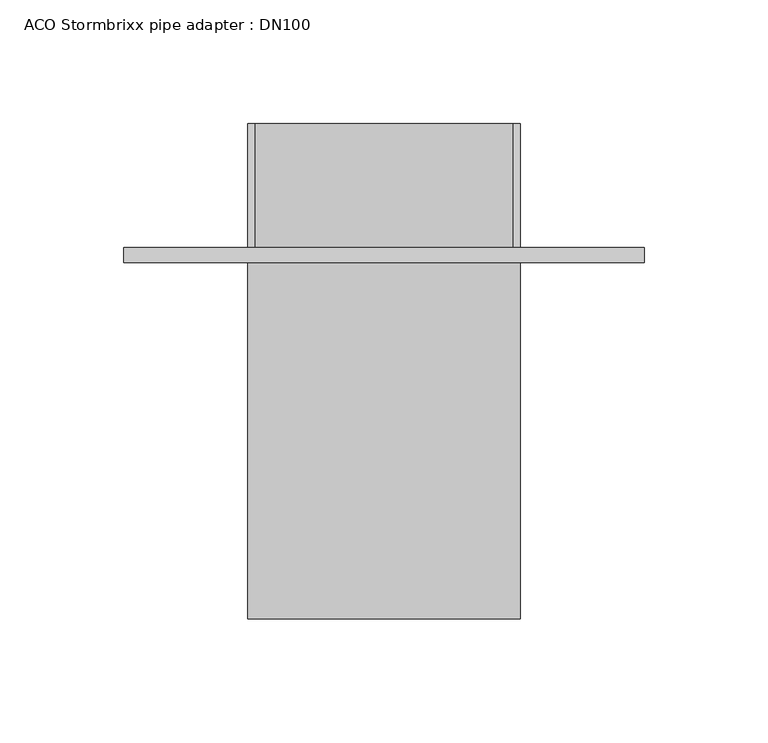
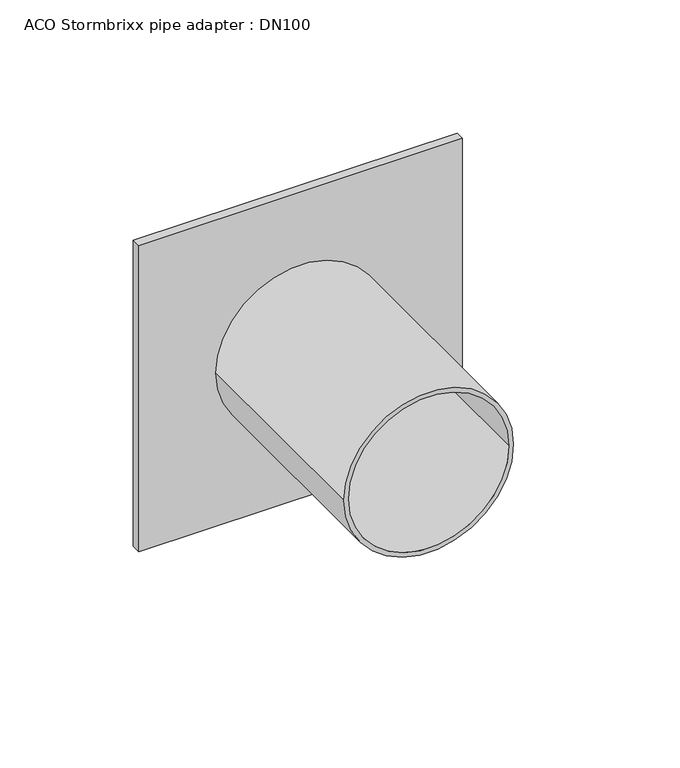
"""IFC4 building model written with IfcOpenShell, lengths in millimetres: unitary equipment geometry, ACO Stormbrixx pipe adapter : DN100."""

from ifc_helpers import new_model, si_unit, frame, origin, place, context, project, spatial, polyline, circle_curve, source, transform, mapped, element, save
from ifc_brep_helpers import plane_surface, cylinder_surface, revolved_surface, advanced_brep


def aco_stormbrixx_pipe_adapter_dn100_42cb0566(model_context):
    return source(origin(), model_context, "Body", "AdvancedBrep", [
        advanced_brep(
        [(-55.0, -200.0, 105.0), (55.0, -200.0, 105.0), (52.0, -200.0, 105.0), (-52.0, -200.0, 105.0), (55.0, 0.0, 105.0), (-55.0, 0.0, 105.0), (-52.0, 0.0, 105.0), (52.0, 0.0, 105.0), (-55.0, -56.0, 105.0), (55.0, -56.0, 105.0), (55.0, -50.0, 105.0), (-55.0, -50.0, 105.0), (52.0, -50.0, 105.0), (-52.0, -50.0, 105.0), (105.0, -56.0, 210.0), (-105.0, -56.0, 210.0), (-105.0, -56.0, 0.0), (105.0, -56.0, 0.0), (105.0, -50.0, 0.0), (-105.0, -50.0, 0.0), (-105.0, -50.0, 210.0), (105.0, -50.0, 210.0)],
        [
            (0, 1, circle_curve(frame((0.0, -200.0, 105.0), z_axis=(0.0, -1.0, 0.0), x_axis=(1.0, 0.0, 0.0)), 55.0)),
            (1, 0, circle_curve(frame((0.0, -200.0, 105.0), z_axis=(0.0, -1.0, 0.0), x_axis=(1.0, 0.0, 0.0)), 55.0)),
            (2, 3, circle_curve(frame((0.0, -200.0, 105.0), z_axis=(0.0, 1.0, 0.0), x_axis=(1.0, 0.0, 0.0)), 52.0)),
            (3, 2, circle_curve(frame((0.0, -200.0, 105.0), z_axis=(0.0, 1.0, 0.0), x_axis=(1.0, 0.0, 0.0)), 52.0)),
            (4, 5, circle_curve(frame((0.0, 0.0, 105.0), z_axis=(0.0, 1.0, 0.0), x_axis=(1.0, 0.0, 0.0)), 55.0)),
            (5, 6),
            (6, 7, circle_curve(frame((0.0, 0.0, 105.0), z_axis=(0.0, -1.0, 0.0), x_axis=(1.0, 0.0, 0.0)), 52.0)),
            (7, 4),
            (0, 8),
            (8, 9, circle_curve(frame((0.0, -56.0, 105.0), z_axis=(0.0, -1.0, 0.0), x_axis=(1.0, 0.0, 0.0)), 55.0)),
            (9, 1),
            (4, 10),
            (10, 11, circle_curve(frame((0.0, -50.0, 105.0), z_axis=(0.0, 1.0, 0.0), x_axis=(1.0, 0.0, 0.0)), 55.0)),
            (11, 5),
            (9, 8, circle_curve(frame((0.0, -56.0, 105.0), z_axis=(0.0, -1.0, 0.0), x_axis=(1.0, 0.0, 0.0)), 55.0)),
            (2, 12),
            (12, 7),
            (6, 13),
            (13, 3),
            (13, 12, circle_curve(frame((0.0, -50.0, 105.0), z_axis=(0.0, 1.0, 0.0), x_axis=(1.0, 0.0, 0.0)), 52.0)),
            (14, 15),
            (15, 16),
            (16, 17),
            (17, 14),
            (18, 19),
            (19, 20),
            (20, 21),
            (21, 18),
            (10, 12),
            (13, 11),
            (14, 21),
            (20, 15),
            (19, 16),
            (18, 17),
        ],
        [
            plane_surface(frame((55.0, -200.0, 105.0), z_axis=(0.0, -1.0, 0.0), x_axis=(0.0, 0.0, 1.0))),
            plane_surface(frame((55.0, 0.0, 105.0), z_axis=(0.0, 1.0, 0.0), x_axis=(0.0, 0.0, -1.0))),
            cylinder_surface(frame((0.0, 0.0, 105.0), z_axis=(0.0, -1.0, 0.0), x_axis=(1.0, 0.0, 0.0)), 55.0),
            revolved_surface(polyline([(52.0, -200.0, 105.0), (52.0, 0.0, 105.0)]), (0.0, 0.0, 105.0), (0.0, -1.0, 0.0)),
            revolved_surface(polyline([(52.0, -200.0, 105.0), (52.0, -50.0, 105.0)]), (0.0, 0.0, 105.0), (0.0, -1.0, 0.0)),
            plane_surface(frame((-105.0, -56.0, 210.0), z_axis=(0.0, -1.0, 0.0), x_axis=(-1.0, 0.0, 0.0))),
            plane_surface(frame((-105.0, -50.0, 210.0), z_axis=(0.0, 1.0, 0.0), x_axis=(1.0, 0.0, 0.0))),
            plane_surface(frame((105.0, -56.0, 210.0), z_axis=(0.0, 0.0, 1.0), x_axis=(0.0, 1.0, 0.0))),
            plane_surface(frame((-105.0, -56.0, 210.0), z_axis=(-1.0, 0.0, 0.0), x_axis=(0.0, 1.0, 0.0))),
            plane_surface(frame((-105.0, -56.0, 0.0), z_axis=(0.0, 0.0, -1.0), x_axis=(0.0, 1.0, 0.0))),
            plane_surface(frame((105.0, -56.0, 0.0), z_axis=(1.0, 0.0, 0.0), x_axis=(0.0, 1.0, 0.0))),
            plane_surface(frame((-105.0, -50.0, 105.0), z_axis=(0.0, 0.0, 1.0), x_axis=(0.0, 1.0, 0.0))),
        ],
        [
            (0, [[1, 2], [3, 4]]),
            (1, [[5, 6, 7, 8]]),
            (2, [[-1, 9, 10, 11]]),
            (2, [[-5, 12, 13, 14]]),
            (2, [[-2, -11, 15, -9]]),
            (3, [[-3, 16, 17, -7, 18, 19]]),
            (4, [[-4, -19, 20, -16]]),
            (5, [[21, 22, 23, 24], [-10, -15]]),
            (6, [[25, 26, 27, 28], [-13, 29, -20, 30]]),
            (7, [[-21, 31, -27, 32]]),
            (8, [[-22, -32, -26, 33]]),
            (9, [[-23, -33, -25, 34]]),
            (10, [[-24, -34, -28, -31]]),
            (11, [[-29, -12, -8, -17]]),
            (11, [[-30, -18, -6, -14]]),
        ],
    ),
    ])


if __name__ == "__main__":
    model = new_model("IFC4")
    model_context = context("Model", 3, world=origin())
    ifc_project = project(units=[si_unit("LENGTHUNIT", "METRE", prefix="MILLI")], contexts=[model_context])
    site = spatial("IfcSite", under=ifc_project)
    building = spatial("IfcBuilding", under=site)
    placement = place(None, origin())
    aco_stormbrixx_pipe_adapter_dn100_shape = aco_stormbrixx_pipe_adapter_dn100_42cb0566(model_context)
    element("IfcUnitaryEquipment", 1, ObjectType="ACO Stormbrixx pipe adapter : DN100", at=placement, inside=building, context=model_context, shape_type="MappedRepresentation", body=[
        mapped(aco_stormbrixx_pipe_adapter_dn100_shape, transform((0.0, 0.0, 0.0), x_axis=(1.0, 0.0, 0.0), y_axis=(0.0, 1.0, 0.0), z_axis=(0.0, 0.0, 1.0))),
    ])
    save(model, "model.ifc")
